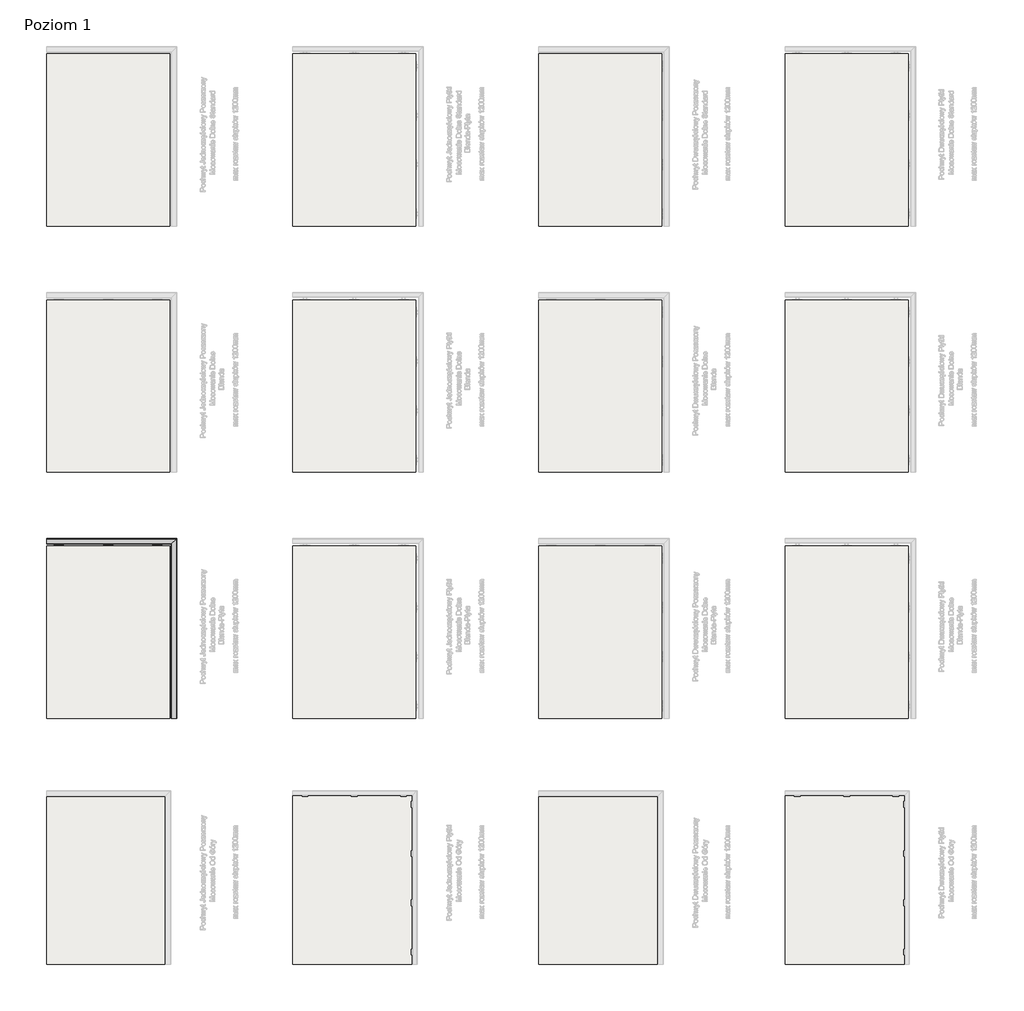
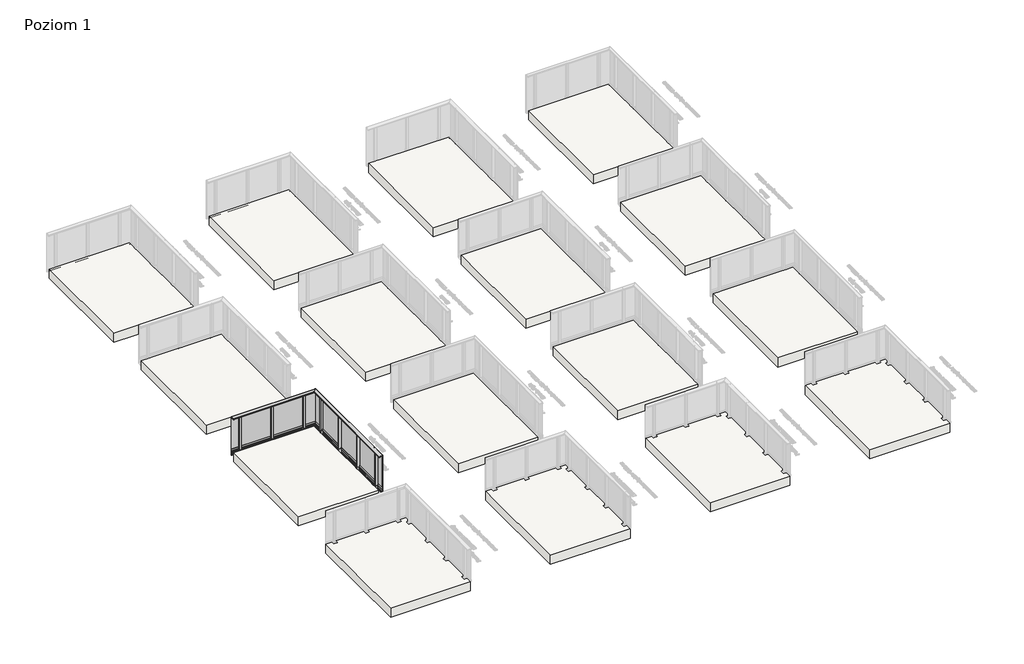
# One storey, part 1 of 35: 16 slabs, 1 railing.
"""IFC4 building model written with IfcOpenShell, lengths in millimetres."""

from ifc_helpers import new_model, si_unit, frame, origin, place, context, project, spatial, polyline, circle_curve, ellipse_curve, outline, extrude, faceted_brep, element, save
from ifc_brep_helpers import plane_surface, cylinder_surface, revolved_surface, advanced_brep

model = new_model("IFC4")

# Units and contexts
model_context = context("Model", 3, world=origin())
ifc_project = project(units=[si_unit("LENGTHUNIT", "METRE", prefix="MILLI")], contexts=[model_context])

# Site, building, storey
site = spatial("IfcSite", under=ifc_project)
building = spatial("IfcBuilding", under=site)
storey = spatial("IfcBuildingStorey", under=building, Name="Poziom 1", Elevation=0.0)

# Railing
placement = place(None, origin())
element("IfcRailing", 1, at=placement, inside=storey, context=model_context, shape_type="SolidModel", body=[
    faceted_brep([(4530.9819967, -9629.5008183, -160.0), (4538.9819967, -9629.5008183, -160.0), (4538.9819967, -9629.5008183, -15.0), (4530.9819967, -9629.5008183, -15.0), (4530.9819967, -5989.5008183, -160.0), (4538.9819967, -5981.5008183, -160.0), (4538.9819967, -5981.5008183, -15.0), (4530.9819967, -5989.5008183, -15.0), (1890.9819967, -5989.5008183, -160.0), (1890.9819967, -5989.5008183, -15.0), (1890.9819967, -5981.5008183, -15.0), (1890.9819967, -5981.5008183, -160.0)], [[[0, 1, 2, 3]], [[1, 0, 4, 5]], [[2, 1, 5, 6]], [[3, 2, 6, 7]], [[0, 3, 7, 4]], [[8, 9, 10, 11]], [[5, 4, 8, 11]], [[6, 5, 11, 10]], [[7, 6, 10, 9]], [[4, 7, 9, 8]]]),
    faceted_brep([(4538.3652811, -9629.5008183, 37.0), (4514.3652811, -9629.5008183, 37.0), (4514.3652811, -9629.5008183, -13.15625), (4525.023675, -9629.5008183, -13.15625), (4525.023675, -9629.5008183, -50.6163494), (4514.3721534, -9629.5008183, -50.6163494), (4514.3721534, -9629.5008183, -72.6204288), (4516.4157985, -9629.5008183, -72.6204288), (4516.4157985, -9629.5008183, -52.6204288), (4527.3897991, -9629.5008183, -52.6204288), (4527.3897991, -9629.5008183, -119.2260542), (4516.4157985, -9629.5008183, -119.2260542), (4516.4157985, -9629.5008183, -99.2260542), (4514.3721534, -9629.5008183, -99.2260542), (4514.3721534, -9629.5008183, -121.2444445), (4525.023675, -9629.5008183, -121.2444445), (4525.023675, -9629.5008183, -158.2306744), (4516.2388511, -9629.5008183, -158.2306744), (4514.1935295, -9629.5008183, -158.2306744), (4514.1935295, -9629.5008183, -164.15625), (4538.3685602, -9629.5008183, -164.15625), (4538.3685602, -9629.5008183, -162.15625), (4527.3897991, -9629.5008183, -162.15625), (4527.3897991, -9629.5008183, -160.2306744), (4530.8948217, -9629.5008183, -160.2306744), (4530.8948217, -9629.5008183, -15.15625), (4527.3897991, -9629.5008183, -15.15625), (4527.3897991, -9629.5008183, -13.15625), (4538.3652811, -9629.5008183, -13.15625), (4538.3652811, -5982.117534, 37.0), (4514.3652811, -6006.117534, 37.0), (4514.3652811, -6006.117534, -13.15625), (4525.023675, -5995.4591401, -13.15625), (4525.023675, -5995.4591401, -50.6163494), (4514.3721534, -6006.1106616, -50.6163494), (4514.3721534, -6006.1106616, -72.6204288), (4516.4157985, -6004.0670165, -72.6204288), (4516.4157985, -6004.0670165, -52.6204288), (4527.3897991, -5993.093016, -52.6204288), (4527.3897991, -5993.093016, -119.2260542), (4516.4157985, -6004.0670165, -119.2260542), (4516.4157985, -6004.0670165, -99.2260542), (4514.3721534, -6006.1106616, -99.2260542), (4514.3721534, -6006.1106616, -121.2444445), (4525.023675, -5995.4591401, -121.2444445), (4525.023675, -5995.4591401, -158.2306744), (4516.2388511, -6004.243964, -158.2306744), (4514.1935295, -6006.2892856, -158.2306744), (4514.1935295, -6006.2892856, -164.15625), (4538.3685602, -5982.1142549, -164.15625), (4538.3685602, -5982.1142549, -162.15625), (4527.3897991, -5993.093016, -162.15625), (4527.3897991, -5993.093016, -160.2306744), (4530.8948217, -5989.5879934, -160.2306744), (4530.8948217, -5989.5879934, -15.15625), (4527.3897991, -5993.093016, -15.15625), (4527.3897991, -5993.093016, -13.15625), (4538.3652811, -5982.117534, -13.15625), (1890.9819967, -5982.117534, 37.0), (1890.9819967, -5982.117534, -13.15625), (1890.9819967, -5993.093016, -13.15625), (1890.9819967, -5993.093016, -15.15625), (1890.9819967, -5989.5879934, -15.15625), (1890.9819967, -5989.5879934, -160.2306744), (1890.9819967, -5993.093016, -160.2306744), (1890.9819967, -5993.093016, -162.15625), (1890.9819967, -5982.1142549, -162.15625), (1890.9819967, -5982.1142549, -164.15625), (1890.9819967, -6006.2892856, -164.15625), (1890.9819967, -6006.2892856, -158.2306744), (1890.9819967, -6004.243964, -158.2306744), (1890.9819967, -5995.4591401, -158.2306744), (1890.9819967, -5995.4591401, -121.2444445), (1890.9819967, -6006.1106616, -121.2444445), (1890.9819967, -6006.1106616, -99.2260542), (1890.9819967, -6004.0670165, -99.2260542), (1890.9819967, -6004.0670165, -119.2260542), (1890.9819967, -5993.093016, -119.2260542), (1890.9819967, -5993.093016, -52.6204288), (1890.9819967, -6004.0670165, -52.6204288), (1890.9819967, -6004.0670165, -72.6204288), (1890.9819967, -6006.1106616, -72.6204288), (1890.9819967, -6006.1106616, -50.6163494), (1890.9819967, -5995.4591401, -50.6163494), (1890.9819967, -5995.4591401, -13.15625), (1890.9819967, -6006.117534, -13.15625), (1890.9819967, -6006.117534, 37.0)], [[[0, 1, 2, 3, 4, 5, 6, 7, 8, 9, 10, 11, 12, 13, 14, 15, 16, 17, 18, 19, 20, 21, 22, 23, 24, 25, 26, 27, 28]], [[1, 0, 29, 30]], [[2, 1, 30, 31]], [[3, 2, 31, 32]], [[4, 3, 32, 33]], [[5, 4, 33, 34]], [[6, 5, 34, 35]], [[7, 6, 35, 36]], [[8, 7, 36, 37]], [[9, 8, 37, 38]], [[10, 9, 38, 39]], [[11, 10, 39, 40]], [[12, 11, 40, 41]], [[13, 12, 41, 42]], [[14, 13, 42, 43]], [[15, 14, 43, 44]], [[16, 15, 44, 45]], [[17, 16, 45, 46]], [[18, 17, 46, 47]], [[19, 18, 47, 48]], [[20, 19, 48, 49]], [[21, 20, 49, 50]], [[22, 21, 50, 51]], [[23, 22, 51, 52]], [[24, 23, 52, 53]], [[25, 24, 53, 54]], [[26, 25, 54, 55]], [[27, 26, 55, 56]], [[28, 27, 56, 57]], [[0, 28, 57, 29]], [[58, 59, 60, 61, 62, 63, 64, 65, 66, 67, 68, 69, 70, 71, 72, 73, 74, 75, 76, 77, 78, 79, 80, 81, 82, 83, 84, 85, 86]], [[30, 29, 58, 86]], [[31, 30, 86, 85]], [[32, 31, 85, 84]], [[33, 32, 84, 83]], [[34, 33, 83, 82]], [[35, 34, 82, 81]], [[36, 35, 81, 80]], [[37, 36, 80, 79]], [[38, 37, 79, 78]], [[39, 38, 78, 77]], [[40, 39, 77, 76]], [[41, 40, 76, 75]], [[42, 41, 75, 74]], [[43, 42, 74, 73]], [[44, 43, 73, 72]], [[45, 44, 72, 71]], [[46, 45, 71, 70]], [[47, 46, 70, 69]], [[48, 47, 69, 68]], [[49, 48, 68, 67]], [[50, 49, 67, 66]], [[51, 50, 66, 65]], [[52, 51, 65, 64]], [[53, 52, 64, 63]], [[54, 53, 63, 62]], [[55, 54, 62, 61]], [[56, 55, 61, 60]], [[57, 56, 60, 59]], [[29, 57, 59, 58]]]),
    advanced_brep(
    [(4428.5014149, -9629.5008183, 1100.0), (4428.0014149, -9629.5008183, 1099.5), (4428.0014149, -9629.5008183, 1065.5384355), (4428.5014149, -9629.5008183, 1065.0384355), (4447.9566873, -9629.5008183, 1065.0384355), (4447.9566873, -9629.5008183, 1088.0384355), (4513.9566873, -9629.5008183, 1088.0384355), (4513.9566873, -9629.5008183, 1065.0590672), (4516.7566873, -9629.5008183, 1065.0590672), (4516.7566873, -9629.5008183, 1066.2590672), (4515.9566873, -9629.5008183, 1066.2590672), (4515.9566873, -9629.5008183, 1097.5), (4516.4566873, -9629.5008183, 1098.0), (4533.4625786, -9629.5008183, 1098.0), (4533.9625786, -9629.5008183, 1097.5), (4533.9625786, -9629.5008183, 1066.2590672), (4533.1625786, -9629.5008183, 1066.2590672), (4533.1625786, -9629.5008183, 1065.0590672), (4537.4625786, -9629.5008183, 1065.0590672), (4537.9625786, -9629.5008183, 1065.5590672), (4537.9625786, -9629.5008183, 1099.5), (4537.4625786, -9629.5008183, 1100.0), (4428.5014149, -6091.9814002, 1100.0), (4428.0014149, -6092.4814002, 1099.5), (4428.0014149, -6092.4814002, 1065.5384355), (4428.5014149, -6091.9814002, 1065.0384355), (4447.9566873, -6072.5261277, 1065.0384355), (4447.9566873, -6072.5261277, 1088.0384355), (4513.9566873, -6006.5261277, 1088.0384355), (4513.9566873, -6006.5261277, 1065.0590672), (4516.7566873, -6003.7261277, 1065.0590672), (4516.7566873, -6003.7261277, 1066.2590672), (4515.9566873, -6004.5261277, 1066.2590672), (4515.9566873, -6004.5261277, 1097.5), (4516.4566873, -6004.0261277, 1098.0), (4533.4625786, -5987.0202365, 1098.0), (4533.9625786, -5986.5202365, 1097.5), (4533.9625786, -5986.5202365, 1066.2590672), (4533.1625786, -5987.3202365, 1066.2590672), (4533.1625786, -5987.3202365, 1065.0590672), (4537.4625786, -5983.0202365, 1065.0590672), (4537.9625786, -5982.5202365, 1065.5590672), (4537.9625786, -5982.5202365, 1099.5), (4537.4625786, -5983.0202365, 1100.0), (1890.9819967, -6091.9814002, 1100.0), (1890.9819967, -5983.0202365, 1100.0), (1890.9819967, -5982.5202365, 1099.5), (1890.9819967, -5982.5202365, 1065.5590672), (1890.9819967, -5983.0202365, 1065.0590672), (1890.9819967, -5987.3202365, 1065.0590672), (1890.9819967, -5987.3202365, 1066.2590672), (1890.9819967, -5986.5202365, 1066.2590672), (1890.9819967, -5986.5202365, 1097.5), (1890.9819967, -5987.0202365, 1098.0), (1890.9819967, -6004.0261277, 1098.0), (1890.9819967, -6004.5261277, 1097.5), (1890.9819967, -6004.5261277, 1066.2590672), (1890.9819967, -6003.7261277, 1066.2590672), (1890.9819967, -6003.7261277, 1065.0590672), (1890.9819967, -6006.5261277, 1065.0590672), (1890.9819967, -6006.5261277, 1088.0384355), (1890.9819967, -6072.5261277, 1088.0384355), (1890.9819967, -6072.5261277, 1065.0384355), (1890.9819967, -6091.9814002, 1065.0384355), (1890.9819967, -6092.4814002, 1065.5384355), (1890.9819967, -6092.4814002, 1099.5)],
    [
        (0, 1, circle_curve(frame((4428.5014149, -9629.5008183, 1099.5), z_axis=(0.0, -1.0, 0.0), x_axis=(1.0, 0.0, 0.0)), 0.5)),
        (1, 2),
        (2, 3, circle_curve(frame((4428.5014149, -9629.5008183, 1065.5384355), z_axis=(0.0, -1.0, 0.0), x_axis=(1.0, 0.0, 0.0)), 0.5)),
        (3, 4),
        (4, 5),
        (5, 6),
        (6, 7),
        (7, 8),
        (8, 9),
        (9, 10),
        (10, 11),
        (11, 12, circle_curve(frame((4516.4566873, -9629.5008183, 1097.5), z_axis=(0.0, 1.0, 0.0), x_axis=(1.0, 0.0, 0.0)), 0.5)),
        (12, 13),
        (13, 14, circle_curve(frame((4533.4625786, -9629.5008183, 1097.5), z_axis=(0.0, 1.0, 0.0), x_axis=(1.0, 0.0, 0.0)), 0.5)),
        (14, 15),
        (15, 16),
        (16, 17),
        (17, 18),
        (18, 19, circle_curve(frame((4537.4625786, -9629.5008183, 1065.5590672), z_axis=(0.0, -1.0, 0.0), x_axis=(1.0, 0.0, 0.0)), 0.5)),
        (19, 20),
        (20, 21, circle_curve(frame((4537.4625786, -9629.5008183, 1099.5), z_axis=(0.0, -1.0, 0.0), x_axis=(1.0, 0.0, 0.0)), 0.5)),
        (21, 0),
        (0, 22),
        (22, 23, ellipse_curve(frame((4428.5014149, -6091.9814002, 1099.5), z_axis=(0.7071067811865459, -0.707106781186549, 0.0), x_axis=(-0.707106781186549, -0.7071067811865461, 0.0)), 0.7071068, 0.5)),
        (23, 1),
        (23, 24),
        (24, 2),
        (24, 25, ellipse_curve(frame((4428.5014149, -6091.9814002, 1065.5384355), z_axis=(0.7071067811865459, -0.707106781186549, 0.0), x_axis=(-0.707106781186549, -0.7071067811865461, 0.0)), 0.7071068, 0.5)),
        (25, 3),
        (25, 26),
        (26, 4),
        (26, 27),
        (27, 5),
        (27, 28),
        (28, 6),
        (28, 29),
        (29, 7),
        (29, 30),
        (30, 8),
        (30, 31),
        (31, 9),
        (31, 32),
        (32, 10),
        (32, 33),
        (33, 11),
        (33, 34, ellipse_curve(frame((4516.4566873, -6004.0261277, 1097.5), z_axis=(-0.7071067811865459, 0.707106781186549, 0.0), x_axis=(0.707106781186549, 0.7071067811865461, 0.0)), 0.7071068, 0.5)),
        (34, 12),
        (34, 35),
        (35, 13),
        (35, 36, ellipse_curve(frame((4533.4625786, -5987.0202365, 1097.5), z_axis=(-0.7071067811865459, 0.707106781186549, 0.0), x_axis=(0.707106781186549, 0.7071067811865461, 0.0)), 0.7071068, 0.5)),
        (36, 14),
        (36, 37),
        (37, 15),
        (37, 38),
        (38, 16),
        (38, 39),
        (39, 17),
        (39, 40),
        (40, 18),
        (40, 41, ellipse_curve(frame((4537.4625786, -5983.0202365, 1065.5590672), z_axis=(0.7071067811865459, -0.707106781186549, 0.0), x_axis=(-0.707106781186549, -0.7071067811865461, 0.0)), 0.7071068, 0.5)),
        (41, 19),
        (41, 42),
        (42, 20),
        (42, 43, ellipse_curve(frame((4537.4625786, -5983.0202365, 1099.5), z_axis=(0.7071067811865459, -0.707106781186549, 0.0), x_axis=(-0.707106781186549, -0.7071067811865461, 0.0)), 0.7071068, 0.5)),
        (43, 21),
        (43, 22),
        (44, 45),
        (45, 46, circle_curve(frame((1890.9819967, -5983.0202365, 1099.5), z_axis=(-1.0, 0.0, 0.0), x_axis=(0.0, 1.0, 0.0)), 0.5)),
        (46, 47),
        (47, 48, circle_curve(frame((1890.9819967, -5983.0202365, 1065.5590672), z_axis=(-1.0, 0.0, 0.0), x_axis=(0.0, 1.0, 0.0)), 0.5)),
        (48, 49),
        (49, 50),
        (50, 51),
        (51, 52),
        (52, 53, circle_curve(frame((1890.9819967, -5987.0202365, 1097.5), z_axis=(1.0, 0.0, 0.0), x_axis=(0.0, 1.0, 0.0)), 0.5)),
        (53, 54),
        (54, 55, circle_curve(frame((1890.9819967, -6004.0261277, 1097.5), z_axis=(1.0, 0.0, 0.0), x_axis=(0.0, 1.0, 0.0)), 0.5)),
        (55, 56),
        (56, 57),
        (57, 58),
        (58, 59),
        (59, 60),
        (60, 61),
        (61, 62),
        (62, 63),
        (63, 64, circle_curve(frame((1890.9819967, -6091.9814002, 1065.5384355), z_axis=(-1.0, 0.0, 0.0), x_axis=(0.0, 1.0, 0.0)), 0.5)),
        (64, 65),
        (65, 44, circle_curve(frame((1890.9819967, -6091.9814002, 1099.5), z_axis=(-1.0, 0.0, 0.0), x_axis=(0.0, 1.0, 0.0)), 0.5)),
        (22, 44),
        (65, 23),
        (64, 24),
        (63, 25),
        (62, 26),
        (61, 27),
        (60, 28),
        (59, 29),
        (58, 30),
        (57, 31),
        (56, 32),
        (55, 33),
        (54, 34),
        (53, 35),
        (52, 36),
        (51, 37),
        (50, 38),
        (49, 39),
        (48, 40),
        (47, 41),
        (46, 42),
        (45, 43),
    ],
    [
        plane_surface(frame((4482.9819967, -9629.5008183, 1100.0), z_axis=(0.0, -1.0, 0.0), x_axis=(0.0, 0.0, 1.0))),
        cylinder_surface(frame((4428.5014149, -9629.5008183, 1099.5), z_axis=(0.0, -1.0, 0.0), x_axis=(1.0, 0.0, 0.0)), 0.5),
        plane_surface(frame((4428.0014149, -9629.5008183, 1099.5), z_axis=(-1.0, 0.0, 0.0), x_axis=(0.0, 1.0, 0.0))),
        cylinder_surface(frame((4428.5014149, -9629.5008183, 1065.5384355), z_axis=(0.0, -1.0, 0.0), x_axis=(1.0, 0.0, 0.0)), 0.5),
        plane_surface(frame((4428.5014149, -9629.5008183, 1065.0384355), z_axis=(0.0, 0.0, -1.0), x_axis=(0.0, 1.0, 0.0))),
        plane_surface(frame((4447.9566873, -9629.5008183, 1065.0384355), z_axis=(1.0, 0.0, 0.0), x_axis=(0.0, 1.0, 0.0))),
        plane_surface(frame((4447.9566873, -9629.5008183, 1088.0384355), z_axis=(0.0, 0.0, -1.0), x_axis=(0.0, 1.0, 0.0))),
        plane_surface(frame((4513.9566873, -9629.5008183, 1088.0384355), z_axis=(-1.0, 0.0, 0.0), x_axis=(0.0, 1.0, 0.0))),
        plane_surface(frame((4513.9566873, -9629.5008183, 1065.0590672), z_axis=(0.0, 0.0, -1.0), x_axis=(0.0, 1.0, 0.0))),
        plane_surface(frame((4516.7566873, -9629.5008183, 1065.0590672), z_axis=(1.0, 0.0, 0.0), x_axis=(0.0, 1.0, 0.0))),
        plane_surface(frame((4516.7566873, -9629.5008183, 1066.2590672), z_axis=(0.0, 0.0, 1.0), x_axis=(0.0, 1.0, 0.0))),
        plane_surface(frame((4515.9566873, -9629.5008183, 1066.2590672), z_axis=(1.0, 0.0, 0.0), x_axis=(0.0, 1.0, 0.0))),
        revolved_surface(polyline([(4516.9566873, -6003.526127686697, 1097.5), (4516.9566873, -9629.5008183, 1097.5)]), (4516.4566873, -9629.5008183, 1097.5), (0.0, 1.0, 0.0)),
        plane_surface(frame((4516.4566873, -9629.5008183, 1098.0), z_axis=(0.0, 0.0, -1.0), x_axis=(0.0, 1.0, 0.0))),
        revolved_surface(polyline([(4533.9625786, -5986.520236486696, 1097.5), (4533.9625786, -9629.5008183, 1097.5)]), (4533.4625786, -9629.5008183, 1097.5), (0.0, 1.0, 0.0)),
        plane_surface(frame((4533.9625786, -9629.5008183, 1097.5), z_axis=(-1.0, 0.0, 0.0), x_axis=(0.0, 1.0, 0.0))),
        plane_surface(frame((4533.9625786, -9629.5008183, 1066.2590672), z_axis=(0.0, 0.0, 1.0), x_axis=(0.0, 1.0, 0.0))),
        plane_surface(frame((4533.1625786, -9629.5008183, 1066.2590672), z_axis=(-1.0, 0.0, 0.0), x_axis=(0.0, 1.0, 0.0))),
        plane_surface(frame((4533.1625786, -9629.5008183, 1065.0590672), z_axis=(0.0, 0.0, -1.0), x_axis=(0.0, 1.0, 0.0))),
        cylinder_surface(frame((4537.4625786, -9629.5008183, 1065.5590672), z_axis=(0.0, -1.0, 0.0), x_axis=(1.0, 0.0, 0.0)), 0.5),
        plane_surface(frame((4537.9625786, -9629.5008183, 1065.5590672), z_axis=(1.0, 0.0, 0.0), x_axis=(0.0, 1.0, 0.0))),
        cylinder_surface(frame((4537.4625786, -9629.5008183, 1099.5), z_axis=(0.0, -1.0, 0.0), x_axis=(1.0, 0.0, 0.0)), 0.5),
        plane_surface(frame((4537.4625786, -9629.5008183, 1100.0), z_axis=(0.0, 0.0, 1.0), x_axis=(0.0, 1.0, 0.0))),
        plane_surface(frame((1890.9819967, -6037.5008183, 1100.0), z_axis=(-1.0, 0.0, 0.0), x_axis=(0.0, -1.0, 0.0))),
        cylinder_surface(frame((4482.9819967, -6091.9814002, 1099.5), z_axis=(1.0, 0.0, 0.0), x_axis=(0.0, 1.0, 0.0)), 0.5),
        plane_surface(frame((4428.0014149, -6092.4814002, 1099.5), z_axis=(0.0, -1.0, 0.0), x_axis=(-1.0, 0.0, 0.0))),
        cylinder_surface(frame((4482.9819967, -6091.9814002, 1065.5384355), z_axis=(1.0, 0.0, 0.0), x_axis=(0.0, 1.0, 0.0)), 0.5),
        plane_surface(frame((4428.5014149, -6091.9814002, 1065.0384355), z_axis=(0.0, 0.0, -1.0), x_axis=(-1.0, 0.0, 0.0))),
        plane_surface(frame((4447.9566873, -6072.5261277, 1065.0384355), z_axis=(0.0, 1.0, 0.0), x_axis=(-1.0, 0.0, 0.0))),
        plane_surface(frame((4447.9566873, -6072.5261277, 1088.0384355), z_axis=(0.0, 0.0, -1.0), x_axis=(-1.0, 0.0, 0.0))),
        plane_surface(frame((4513.9566873, -6006.5261277, 1088.0384355), z_axis=(0.0, -1.0, 0.0), x_axis=(-1.0, 0.0, 0.0))),
        plane_surface(frame((4513.9566873, -6006.5261277, 1065.0590672), z_axis=(0.0, 0.0, -1.0), x_axis=(-1.0, 0.0, 0.0))),
        plane_surface(frame((4516.7566873, -6003.7261277, 1065.0590672), z_axis=(0.0, 1.0, 0.0), x_axis=(-1.0, 0.0, 0.0))),
        plane_surface(frame((4516.7566873, -6003.7261277, 1066.2590672), z_axis=(0.0, 0.0, 1.0), x_axis=(-1.0, 0.0, 0.0))),
        plane_surface(frame((4515.9566873, -6004.5261277, 1066.2590672), z_axis=(0.0, 1.0, 0.0), x_axis=(-1.0, 0.0, 0.0))),
        revolved_surface(polyline([(1890.9819967000003, -6003.5261277, 1097.5), (4516.9566873133035, -6003.5261277, 1097.5)]), (4482.9819967, -6004.0261277, 1097.5), (-1.0, 0.0, 0.0)),
        plane_surface(frame((4516.4566873, -6004.0261277, 1098.0), z_axis=(0.0, 0.0, -1.0), x_axis=(-1.0, 0.0, 0.0))),
        revolved_surface(polyline([(1890.9819967000003, -5986.5202365, 1097.5), (4533.962578613303, -5986.5202365, 1097.5)]), (4482.9819967, -5987.0202365, 1097.5), (-1.0, 0.0, 0.0)),
        plane_surface(frame((4533.9625786, -5986.5202365, 1097.5), z_axis=(0.0, -1.0, 0.0), x_axis=(-1.0, 0.0, 0.0))),
        plane_surface(frame((4533.9625786, -5986.5202365, 1066.2590672), z_axis=(0.0, 0.0, 1.0), x_axis=(-1.0, 0.0, 0.0))),
        plane_surface(frame((4533.1625786, -5987.3202365, 1066.2590672), z_axis=(0.0, -1.0, 0.0), x_axis=(-1.0, 0.0, 0.0))),
        plane_surface(frame((4533.1625786, -5987.3202365, 1065.0590672), z_axis=(0.0, 0.0, -1.0), x_axis=(-1.0, 0.0, 0.0))),
        cylinder_surface(frame((4482.9819967, -5983.0202365, 1065.5590672), z_axis=(1.0, 0.0, 0.0), x_axis=(0.0, 1.0, 0.0)), 0.5),
        plane_surface(frame((4537.9625786, -5982.5202365, 1065.5590672), z_axis=(0.0, 1.0, 0.0), x_axis=(-1.0, 0.0, 0.0))),
        cylinder_surface(frame((4482.9819967, -5983.0202365, 1099.5), z_axis=(1.0, 0.0, 0.0), x_axis=(0.0, 1.0, 0.0)), 0.5),
        plane_surface(frame((4537.4625786, -5983.0202365, 1100.0), z_axis=(0.0, 0.0, 1.0), x_axis=(-1.0, 0.0, 0.0))),
    ],
    [
        (0, [[1, 2, 3, 4, 5, 6, 7, 8, 9, 10, 11, 12, 13, 14, 15, 16, 17, 18, 19, 20, 21, 22]]),
        (1, [[-1, 23, 24, 25]]),
        (2, [[-2, -25, 26, 27]]),
        (3, [[-3, -27, 28, 29]]),
        (4, [[-4, -29, 30, 31]]),
        (5, [[-5, -31, 32, 33]]),
        (6, [[-6, -33, 34, 35]]),
        (7, [[-7, -35, 36, 37]]),
        (8, [[-8, -37, 38, 39]]),
        (9, [[-9, -39, 40, 41]]),
        (10, [[-10, -41, 42, 43]]),
        (11, [[-11, -43, 44, 45]]),
        (12, [[-12, -45, 46, 47]]),
        (13, [[-13, -47, 48, 49]]),
        (14, [[-14, -49, 50, 51]]),
        (15, [[-15, -51, 52, 53]]),
        (16, [[-16, -53, 54, 55]]),
        (17, [[-17, -55, 56, 57]]),
        (18, [[-18, -57, 58, 59]]),
        (19, [[-19, -59, 60, 61]]),
        (20, [[-20, -61, 62, 63]]),
        (21, [[-21, -63, 64, 65]]),
        (22, [[-22, -65, 66, -23]]),
        (23, [[67, 68, 69, 70, 71, 72, 73, 74, 75, 76, 77, 78, 79, 80, 81, 82, 83, 84, 85, 86, 87, 88]]),
        (24, [[-24, 89, -88, 90]]),
        (25, [[-26, -90, -87, 91]]),
        (26, [[-28, -91, -86, 92]]),
        (27, [[-30, -92, -85, 93]]),
        (28, [[-32, -93, -84, 94]]),
        (29, [[-34, -94, -83, 95]]),
        (30, [[-36, -95, -82, 96]]),
        (31, [[-38, -96, -81, 97]]),
        (32, [[-40, -97, -80, 98]]),
        (33, [[-42, -98, -79, 99]]),
        (34, [[-44, -99, -78, 100]]),
        (35, [[-46, -100, -77, 101]]),
        (36, [[-48, -101, -76, 102]]),
        (37, [[-50, -102, -75, 103]]),
        (38, [[-52, -103, -74, 104]]),
        (39, [[-54, -104, -73, 105]]),
        (40, [[-56, -105, -72, 106]]),
        (41, [[-58, -106, -71, 107]]),
        (42, [[-60, -107, -70, 108]]),
        (43, [[-62, -108, -69, 109]]),
        (44, [[-64, -109, -68, 110]]),
        (45, [[-66, -110, -67, -89]]),
    ],
),
    faceted_brep([(4529.9819967, -9629.5008183, 1087.0), (4521.9819967, -9629.5008183, 1087.0), (4521.9819967, -9629.5008183, 37.0), (4529.9819967, -9629.5008183, 37.0), (4529.9819967, -5990.5008183, 1087.0), (4521.9819967, -5998.5008183, 1087.0), (4521.9819967, -5998.5008183, 37.0), (4529.9819967, -5990.5008183, 37.0), (1890.9819967, -5990.5008183, 1087.0), (1890.9819967, -5990.5008183, 37.0), (1890.9819967, -5998.5008183, 37.0), (1890.9819967, -5998.5008183, 1087.0)], [[[0, 1, 2, 3]], [[1, 0, 4, 5]], [[2, 1, 5, 6]], [[3, 2, 6, 7]], [[0, 3, 7, 4]], [[8, 9, 10, 11]], [[5, 4, 8, 11]], [[6, 5, 11, 10]], [[7, 6, 10, 9]], [[4, 7, 9, 8]]]),
    faceted_brep([(4516.6692541, -9629.5008183, 1065.2160621), (4515.6441664, -9629.5008183, 1065.2160621), (4515.6441664, -9629.5008183, 1063.6627783), (4521.9819967, -9629.5008183, 1061.8454347), (4521.9819967, -9629.5008183, 1072.0), (4516.6692541, -9629.5008183, 1074.1464874), (4516.6692541, -6003.813561, 1065.2160621), (4515.6441664, -6004.8386487, 1065.2160621), (4515.6441664, -6004.8386487, 1063.6627783), (4521.9819967, -5998.5008183, 1061.8454347), (4521.9819967, -5998.5008183, 1072.0), (4516.6692541, -6003.813561, 1074.1464874), (1890.9819967, -6003.813561, 1065.2160621), (1890.9819967, -6003.813561, 1074.1464874), (1890.9819967, -5998.5008183, 1072.0), (1890.9819967, -5998.5008183, 1061.8454347), (1890.9819967, -6004.8386487, 1063.6627783), (1890.9819967, -6004.8386487, 1065.2160621)], [[[0, 1, 2, 3, 4, 5]], [[1, 0, 6, 7]], [[2, 1, 7, 8]], [[3, 2, 8, 9]], [[4, 3, 9, 10]], [[5, 4, 10, 11]], [[0, 5, 11, 6]], [[12, 13, 14, 15, 16, 17]], [[7, 6, 12, 17]], [[8, 7, 17, 16]], [[9, 8, 16, 15]], [[10, 9, 15, 14]], [[11, 10, 14, 13]], [[6, 11, 13, 12]]]),
    faceted_brep([(4535.2947394, -9629.5008183, 1065.2160621), (4535.2947394, -9629.5008183, 1074.1464874), (4529.9819967, -9629.5008183, 1072.0), (4529.9819967, -9629.5008183, 1061.8454347), (4536.3198271, -9629.5008183, 1063.6627783), (4536.3198271, -9629.5008183, 1065.2160621), (4535.2947394, -5985.1880757, 1065.2160621), (4535.2947394, -5985.1880757, 1074.1464874), (4529.9819967, -5990.5008183, 1072.0), (4529.9819967, -5990.5008183, 1061.8454347), (4536.3198271, -5984.162988, 1063.6627783), (4536.3198271, -5984.162988, 1065.2160621), (1890.9819967, -5985.1880757, 1065.2160621), (1890.9819967, -5984.162988, 1065.2160621), (1890.9819967, -5984.162988, 1063.6627783), (1890.9819967, -5990.5008183, 1061.8454347), (1890.9819967, -5990.5008183, 1072.0), (1890.9819967, -5985.1880757, 1074.1464874)], [[[0, 1, 2, 3, 4, 5]], [[1, 0, 6, 7]], [[2, 1, 7, 8]], [[3, 2, 8, 9]], [[4, 3, 9, 10]], [[5, 4, 10, 11]], [[0, 5, 11, 6]], [[12, 13, 14, 15, 16, 17]], [[7, 6, 12, 17]], [[8, 7, 17, 16]], [[9, 8, 16, 15]], [[10, 9, 15, 14]], [[11, 10, 14, 13]], [[6, 11, 13, 12]]]),
    extrude(outline(polyline([(2115.9819967, -6071.5008183), (2115.9819967, -6006.5008183), (2165.9819967, -6006.5008183), (2165.9819967, -6071.5008183), (2115.9819967, -6071.5008183)])), frame((0.0, 0.0, -162.0), z_axis=(0.0, 0.0, 1.0), x_axis=(1.0, 0.0, 0.0)), (0.0, 0.0, 1.0), 1250.0384355),
    extrude(outline(polyline([(2038.4819967, -6129.5008183), (2038.4819967, -6120.3292455), (2041.3104239, -6117.5008183), (2105.9612097, -6117.5008183), (2105.9612097, -6014.5637744), (2109.4872118, -6009.5281216), (2115.9612097, -6009.5281216), (2115.9612097, -6117.5008183), (2166.0027837, -6117.5008183), (2166.0027837, -6009.5281216), (2172.4767816, -6009.5281216), (2176.0027837, -6014.5637744), (2176.0027837, -6117.5008183), (2240.6535696, -6117.5008183), (2243.4819967, -6120.3292455), (2243.4819967, -6129.5008183), (2038.4819967, -6129.5008183)])), frame((0.0, 0.0, -152.0), z_axis=(0.0, 0.0, 1.0), x_axis=(1.0, 0.0, 0.0)), (0.0, 0.0, 1.0), 150.0),
    extrude(outline(polyline([(3115.9819967, -6071.5008183), (3115.9819967, -6006.5008183), (3165.9819967, -6006.5008183), (3165.9819967, -6071.5008183), (3115.9819967, -6071.5008183)])), frame((0.0, 0.0, -162.0), z_axis=(0.0, 0.0, 1.0), x_axis=(1.0, 0.0, 0.0)), (0.0, 0.0, 1.0), 1250.0384355),
    extrude(outline(polyline([(3038.4819967, -6129.5008183), (3038.4819967, -6120.3292455), (3041.3104239, -6117.5008183), (3105.9612097, -6117.5008183), (3105.9612097, -6014.5637744), (3109.4872118, -6009.5281216), (3115.9612097, -6009.5281216), (3115.9612097, -6117.5008183), (3166.0027837, -6117.5008183), (3166.0027837, -6009.5281216), (3172.4767816, -6009.5281216), (3176.0027837, -6014.5637744), (3176.0027837, -6117.5008183), (3240.6535696, -6117.5008183), (3243.4819967, -6120.3292455), (3243.4819967, -6129.5008183), (3038.4819967, -6129.5008183)])), frame((0.0, 0.0, -152.0), z_axis=(0.0, 0.0, 1.0), x_axis=(1.0, 0.0, 0.0)), (0.0, 0.0, 1.0), 150.0),
    extrude(outline(polyline([(4115.9819967, -6071.5008183), (4115.9819967, -6006.5008183), (4165.9819967, -6006.5008183), (4165.9819967, -6071.5008183), (4115.9819967, -6071.5008183)])), frame((0.0, 0.0, -162.0), z_axis=(0.0, 0.0, 1.0), x_axis=(1.0, 0.0, 0.0)), (0.0, 0.0, 1.0), 1250.0384355),
    extrude(outline(polyline([(4038.4819967, -6129.5008183), (4038.4819967, -6120.3292455), (4041.3104239, -6117.5008183), (4105.9612097, -6117.5008183), (4105.9612097, -6014.5637744), (4109.4872118, -6009.5281216), (4115.9612097, -6009.5281216), (4115.9612097, -6117.5008183), (4166.0027837, -6117.5008183), (4166.0027837, -6009.5281216), (4172.4767816, -6009.5281216), (4176.0027837, -6014.5637744), (4176.0027837, -6117.5008183), (4240.6535696, -6117.5008183), (4243.4819967, -6120.3292455), (4243.4819967, -6129.5008183), (4038.4819967, -6129.5008183)])), frame((0.0, 0.0, -152.0), z_axis=(0.0, 0.0, 1.0), x_axis=(1.0, 0.0, 0.0)), (0.0, 0.0, 1.0), 150.0),
    extrude(outline(polyline([(4448.9819967, -6354.5008183), (4513.9819967, -6354.5008183), (4513.9819967, -6404.5008183), (4448.9819967, -6404.5008183), (4448.9819967, -6354.5008183)])), frame((0.0, 0.0, -162.0), z_axis=(0.0, 0.0, 1.0), x_axis=(1.0, 0.0, 0.0)), (0.0, 0.0, 1.0), 1250.0384355),
    extrude(outline(polyline([(4390.9819967, -6277.0008183), (4400.1535696, -6277.0008183), (4402.9819967, -6279.8292455), (4402.9819967, -6344.4800313), (4505.9190406, -6344.4800313), (4510.9546935, -6348.0060334), (4510.9546935, -6354.4800313), (4402.9819967, -6354.4800313), (4402.9819967, -6404.5216053), (4510.9546935, -6404.5216053), (4510.9546935, -6410.9956032), (4505.9190406, -6414.5216053), (4402.9819967, -6414.5216053), (4402.9819967, -6479.1723912), (4400.1535696, -6482.0008183), (4390.9819967, -6482.0008183), (4390.9819967, -6277.0008183)])), frame((0.0, 0.0, -152.0), z_axis=(0.0, 0.0, 1.0), x_axis=(1.0, 0.0, 0.0)), (0.0, 0.0, 1.0), 150.0),
    extrude(outline(polyline([(4448.9819967, -7354.5008183), (4513.9819967, -7354.5008183), (4513.9819967, -7404.5008183), (4448.9819967, -7404.5008183), (4448.9819967, -7354.5008183)])), frame((0.0, 0.0, -162.0), z_axis=(0.0, 0.0, 1.0), x_axis=(1.0, 0.0, 0.0)), (0.0, 0.0, 1.0), 1250.0384355),
    extrude(outline(polyline([(4390.9819967, -7277.0008183), (4400.1535696, -7277.0008183), (4402.9819967, -7279.8292455), (4402.9819967, -7344.4800313), (4505.9190406, -7344.4800313), (4510.9546935, -7348.0060334), (4510.9546935, -7354.4800313), (4402.9819967, -7354.4800313), (4402.9819967, -7404.5216053), (4510.9546935, -7404.5216053), (4510.9546935, -7410.9956032), (4505.9190406, -7414.5216053), (4402.9819967, -7414.5216053), (4402.9819967, -7479.1723912), (4400.1535696, -7482.0008183), (4390.9819967, -7482.0008183), (4390.9819967, -7277.0008183)])), frame((0.0, 0.0, -152.0), z_axis=(0.0, 0.0, 1.0), x_axis=(1.0, 0.0, 0.0)), (0.0, 0.0, 1.0), 150.0),
    extrude(outline(polyline([(4448.9819967, -8354.5008183), (4513.9819967, -8354.5008183), (4513.9819967, -8404.5008183), (4448.9819967, -8404.5008183), (4448.9819967, -8354.5008183)])), frame((0.0, 0.0, -162.0), z_axis=(0.0, 0.0, 1.0), x_axis=(1.0, 0.0, 0.0)), (0.0, 0.0, 1.0), 1250.0384355),
    extrude(outline(polyline([(4390.9819967, -8277.0008183), (4400.1535696, -8277.0008183), (4402.9819967, -8279.8292455), (4402.9819967, -8344.4800313), (4505.9190406, -8344.4800313), (4510.9546935, -8348.0060334), (4510.9546935, -8354.4800313), (4402.9819967, -8354.4800313), (4402.9819967, -8404.5216053), (4510.9546935, -8404.5216053), (4510.9546935, -8410.9956032), (4505.9190406, -8414.5216053), (4402.9819967, -8414.5216053), (4402.9819967, -8479.1723912), (4400.1535696, -8482.0008183), (4390.9819967, -8482.0008183), (4390.9819967, -8277.0008183)])), frame((0.0, 0.0, -152.0), z_axis=(0.0, 0.0, 1.0), x_axis=(1.0, 0.0, 0.0)), (0.0, 0.0, 1.0), 150.0),
    extrude(outline(polyline([(4448.9819967, -9354.5008183), (4513.9819967, -9354.5008183), (4513.9819967, -9404.5008183), (4448.9819967, -9404.5008183), (4448.9819967, -9354.5008183)])), frame((0.0, 0.0, -162.0), z_axis=(0.0, 0.0, 1.0), x_axis=(1.0, 0.0, 0.0)), (0.0, 0.0, 1.0), 1250.0384355),
    extrude(outline(polyline([(4390.9819967, -9277.0008183), (4400.1535696, -9277.0008183), (4402.9819967, -9279.8292455), (4402.9819967, -9344.4800313), (4505.9190406, -9344.4800313), (4510.9546935, -9348.0060334), (4510.9546935, -9354.4800313), (4402.9819967, -9354.4800313), (4402.9819967, -9404.5216053), (4510.9546935, -9404.5216053), (4510.9546935, -9410.9956032), (4505.9190406, -9414.5216053), (4402.9819967, -9414.5216053), (4402.9819967, -9479.1723912), (4400.1535696, -9482.0008183), (4390.9819967, -9482.0008183), (4390.9819967, -9277.0008183)])), frame((0.0, 0.0, -152.0), z_axis=(0.0, 0.0, 1.0), x_axis=(1.0, 0.0, 0.0)), (0.0, 0.0, 1.0), 150.0),
    extrude(outline(polyline([(2115.9819967, -6071.5008183), (2115.9819967, -6006.5008183), (2165.9819967, -6006.5008183), (2165.9819967, -6071.5008183), (2115.9819967, -6071.5008183)])), frame((0.0, 0.0, -162.0), z_axis=(0.0, 0.0, 1.0), x_axis=(1.0, 0.0, 0.0)), (0.0, 0.0, 1.0), 1250.0384355),
    extrude(outline(polyline([(2038.4819967, -6129.5008183), (2038.4819967, -6120.3292455), (2041.3104239, -6117.5008183), (2105.9612097, -6117.5008183), (2105.9612097, -6014.5637744), (2109.4872118, -6009.5281216), (2115.9612097, -6009.5281216), (2115.9612097, -6117.5008183), (2166.0027837, -6117.5008183), (2166.0027837, -6009.5281216), (2172.4767816, -6009.5281216), (2176.0027837, -6014.5637744), (2176.0027837, -6117.5008183), (2240.6535696, -6117.5008183), (2243.4819967, -6120.3292455), (2243.4819967, -6129.5008183), (2038.4819967, -6129.5008183)])), frame((0.0, 0.0, -152.0), z_axis=(0.0, 0.0, 1.0), x_axis=(1.0, 0.0, 0.0)), (0.0, 0.0, 1.0), 150.0),
    extrude(outline(polyline([(4448.9819967, -9354.5008183), (4513.9819967, -9354.5008183), (4513.9819967, -9404.5008183), (4448.9819967, -9404.5008183), (4448.9819967, -9354.5008183)])), frame((0.0, 0.0, -162.0), z_axis=(0.0, 0.0, 1.0), x_axis=(1.0, 0.0, 0.0)), (0.0, 0.0, 1.0), 1250.0384355),
    extrude(outline(polyline([(4390.9819967, -9277.0008183), (4400.1535696, -9277.0008183), (4402.9819967, -9279.8292455), (4402.9819967, -9344.4800313), (4505.9190406, -9344.4800313), (4510.9546935, -9348.0060334), (4510.9546935, -9354.4800313), (4402.9819967, -9354.4800313), (4402.9819967, -9404.5216053), (4510.9546935, -9404.5216053), (4510.9546935, -9410.9956032), (4505.9190406, -9414.5216053), (4402.9819967, -9414.5216053), (4402.9819967, -9479.1723912), (4400.1535696, -9482.0008183), (4390.9819967, -9482.0008183), (4390.9819967, -9277.0008183)])), frame((0.0, 0.0, -152.0), z_axis=(0.0, 0.0, 1.0), x_axis=(1.0, 0.0, 0.0)), (0.0, 0.0, 1.0), 150.0),
])

# Slabs
element("IfcSlab", 2, at=placement, inside=storey, context=model_context, shape_type="SweptSolid", body=[
    extrude(outline(polyline([(4390.9819967, 3870.4991817), (4390.9819967, 370.4991817), (1890.9819967, 370.4991817), (1890.9819967, 3870.4991817), (4390.9819967, 3870.4991817)])), frame((0.0, 0.0, -300.0), z_axis=(0.0, 0.0, 1.0), x_axis=(1.0, 0.0, 0.0)), (0.0, 0.0, 1.0), 300.0),
])
element("IfcSlab", 3, at=placement, inside=storey, context=model_context, shape_type="SweptSolid", body=[
    extrude(outline(polyline([(9390.9819967, 3870.4991817), (9390.9819967, 370.4991817), (6890.9819967, 370.4991817), (6890.9819967, 3870.4991817), (9390.9819967, 3870.4991817)])), frame((0.0, 0.0, -300.0), z_axis=(0.0, 0.0, 1.0), x_axis=(1.0, 0.0, 0.0)), (0.0, 0.0, 1.0), 300.0),
])
element("IfcSlab", 4, at=placement, inside=storey, context=model_context, shape_type="SweptSolid", body=[
    extrude(outline(polyline([(14390.9819967, 3870.4991817), (14390.9819967, 370.4991817), (11890.9819967, 370.4991817), (11890.9819967, 3870.4991817), (14390.9819967, 3870.4991817)])), frame((0.0, 0.0, -300.0), z_axis=(0.0, 0.0, 1.0), x_axis=(1.0, 0.0, 0.0)), (0.0, 0.0, 1.0), 300.0),
])
element("IfcSlab", 5, at=placement, inside=storey, context=model_context, shape_type="SweptSolid", body=[
    extrude(outline(polyline([(19390.9819967, 3870.4991817), (19390.9819967, 370.4991817), (16890.9819967, 370.4991817), (16890.9819967, 3870.4991817), (19390.9819967, 3870.4991817)])), frame((0.0, 0.0, -300.0), z_axis=(0.0, 0.0, 1.0), x_axis=(1.0, 0.0, 0.0)), (0.0, 0.0, 1.0), 300.0),
])
element("IfcSlab", 6, at=placement, inside=storey, context=model_context, shape_type="SweptSolid", body=[
    extrude(outline(polyline([(4390.9819967, -1129.5008183), (4390.9819967, -4629.5008183), (1890.9819967, -4629.5008183), (1890.9819967, -1129.5008183), (4390.9819967, -1129.5008183)])), frame((0.0, 0.0, -300.0), z_axis=(0.0, 0.0, 1.0), x_axis=(1.0, 0.0, 0.0)), (0.0, 0.0, 1.0), 300.0),
])
element("IfcSlab", 7, at=placement, inside=storey, context=model_context, shape_type="SweptSolid", body=[
    extrude(outline(polyline([(9390.9819967, -1129.5008183), (9390.9819967, -4629.5008183), (6890.9819967, -4629.5008183), (6890.9819967, -1129.5008183), (9390.9819967, -1129.5008183)])), frame((0.0, 0.0, -300.0), z_axis=(0.0, 0.0, 1.0), x_axis=(1.0, 0.0, 0.0)), (0.0, 0.0, 1.0), 300.0),
])
element("IfcSlab", 8, at=placement, inside=storey, context=model_context, shape_type="SweptSolid", body=[
    extrude(outline(polyline([(14390.9819967, -1129.5008183), (14390.9819967, -4629.5008183), (11890.9819967, -4629.5008183), (11890.9819967, -1129.5008183), (14390.9819967, -1129.5008183)])), frame((0.0, 0.0, -300.0), z_axis=(0.0, 0.0, 1.0), x_axis=(1.0, 0.0, 0.0)), (0.0, 0.0, 1.0), 300.0),
])
element("IfcSlab", 9, at=placement, inside=storey, context=model_context, shape_type="SweptSolid", body=[
    extrude(outline(polyline([(19390.9819967, -1129.5008183), (19390.9819967, -4629.5008183), (16890.9819967, -4629.5008183), (16890.9819967, -1129.5008183), (19390.9819967, -1129.5008183)])), frame((0.0, 0.0, -300.0), z_axis=(0.0, 0.0, 1.0), x_axis=(1.0, 0.0, 0.0)), (0.0, 0.0, 1.0), 300.0),
])
element("IfcSlab", 10, at=placement, inside=storey, context=model_context, shape_type="SweptSolid", body=[
    extrude(outline(polyline([(4390.9819967, -6129.5008183), (4390.9819967, -9629.5008183), (1890.9819967, -9629.5008183), (1890.9819967, -6129.5008183), (4390.9819967, -6129.5008183)])), frame((0.0, 0.0, -300.0), z_axis=(0.0, 0.0, 1.0), x_axis=(1.0, 0.0, 0.0)), (0.0, 0.0, 1.0), 300.0),
])
element("IfcSlab", 11, at=placement, inside=storey, context=model_context, shape_type="SweptSolid", body=[
    extrude(outline(polyline([(9390.9819967, -6129.5008183), (9390.9819967, -9629.5008183), (6890.9819967, -9629.5008183), (6890.9819967, -6129.5008183), (9390.9819967, -6129.5008183)])), frame((0.0, 0.0, -300.0), z_axis=(0.0, 0.0, 1.0), x_axis=(1.0, 0.0, 0.0)), (0.0, 0.0, 1.0), 300.0),
])
element("IfcSlab", 12, at=placement, inside=storey, context=model_context, shape_type="SweptSolid", body=[
    extrude(outline(polyline([(14390.9819967, -6129.5008183), (14390.9819967, -9629.5008183), (11890.9819967, -9629.5008183), (11890.9819967, -6129.5008183), (14390.9819967, -6129.5008183)])), frame((0.0, 0.0, -300.0), z_axis=(0.0, 0.0, 1.0), x_axis=(1.0, 0.0, 0.0)), (0.0, 0.0, 1.0), 300.0),
])
element("IfcSlab", 13, at=placement, inside=storey, context=model_context, shape_type="SweptSolid", body=[
    extrude(outline(polyline([(19390.9819967, -6129.5008183), (19390.9819967, -9629.5008183), (16890.9819967, -9629.5008183), (16890.9819967, -6129.5008183), (19390.9819967, -6129.5008183)])), frame((0.0, 0.0, -300.0), z_axis=(0.0, 0.0, 1.0), x_axis=(1.0, 0.0, 0.0)), (0.0, 0.0, 1.0), 300.0),
])
element("IfcSlab", 14, at=placement, inside=storey, context=model_context, shape_type="SweptSolid", body=[
    extrude(outline(polyline([(4390.9819967, -11129.5008183), (4390.9819967, -14629.5008183), (1890.9819967, -14629.5008183), (1890.9819967, -11129.5008183), (4390.9819967, -11129.5008183)])), frame((0.0, 0.0, -300.0), z_axis=(0.0, 0.0, 1.0), x_axis=(1.0, 0.0, 0.0)), (0.0, 0.0, 1.0), 300.0),
])
element("IfcSlab", 15, at=placement, inside=storey, context=model_context, shape_type="SweptSolid", body=[
    extrude(outline(polyline([(9390.9819967, -11129.5008183), (9390.9819967, -14629.5008183), (6890.9819967, -14629.5008183), (6890.9819967, -11129.5008183), (9390.9819967, -11129.5008183)])), frame((0.0, 0.0, -300.0), z_axis=(0.0, 0.0, 1.0), x_axis=(1.0, 0.0, 0.0)), (0.0, 0.0, 1.0), 300.0),
])
element("IfcSlab", 16, at=placement, inside=storey, context=model_context, shape_type="SweptSolid", body=[
    extrude(outline(polyline([(14390.9819967, -11129.5008183), (14390.9819967, -14629.5008183), (11890.9819967, -14629.5008183), (11890.9819967, -11129.5008183), (14390.9819967, -11129.5008183)])), frame((0.0, 0.0, -300.0), z_axis=(0.0, 0.0, 1.0), x_axis=(1.0, 0.0, 0.0)), (0.0, 0.0, 1.0), 300.0),
])
element("IfcSlab", 17, at=placement, inside=storey, context=model_context, shape_type="SweptSolid", body=[
    extrude(outline(polyline([(19390.9819967, -11129.5008183), (19390.9819967, -14629.5008183), (16890.9819967, -14629.5008183), (16890.9819967, -11129.5008183), (19390.9819967, -11129.5008183)])), frame((0.0, 0.0, -300.0), z_axis=(0.0, 0.0, 1.0), x_axis=(1.0, 0.0, 0.0)), (0.0, 0.0, 1.0), 300.0),
])

save(model, "model.ifc")
